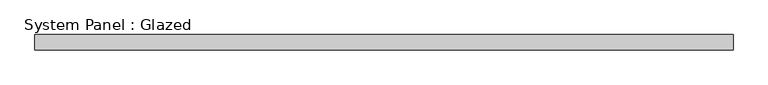
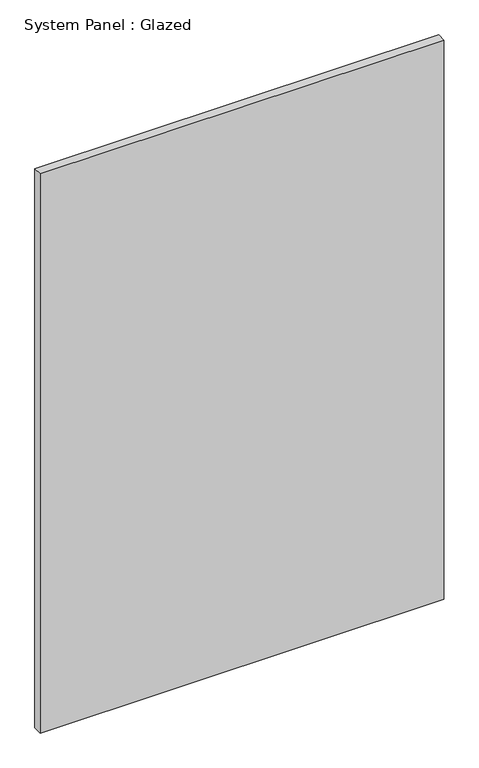
"""IFC4 building model written with IfcOpenShell, lengths in millimetres: plate geometry, System Panel : Glazed."""

from ifc_helpers import new_model, si_unit, origin, origin_with_axes, place, context, project, spatial, polyline, outline, extrude, source, transform, mapped, element, save


def system_panel_glazed_b1e11ff2(model_context):
    return source(origin(), model_context, "Body", "SweptSolid", [
        extrude(outline(polyline([(573.8563296, 19.05), (-573.8563296, 19.05), (-573.8563296, 44.45), (573.8563296, 44.45), (573.8563296, 19.05)])), origin_with_axes(), (0.0, 0.0, 1.0), 1680.4946968),
    ])


if __name__ == "__main__":
    model = new_model("IFC4")
    model_context = context("Model", 3, world=origin())
    ifc_project = project(units=[si_unit("LENGTHUNIT", "METRE", prefix="MILLI")], contexts=[model_context])
    site = spatial("IfcSite", under=ifc_project)
    building = spatial("IfcBuilding", under=site)
    placement = place(None, origin())
    system_panel_glazed_shape = system_panel_glazed_b1e11ff2(model_context)
    element("IfcPlate", 1, ObjectType="System Panel : Glazed", at=placement, inside=building, context=model_context, shape_type="MappedRepresentation", body=[
        mapped(system_panel_glazed_shape, transform((0.0, 0.0, 0.0), x_axis=(1.0, 0.0, 0.0), y_axis=(0.0, 1.0, 0.0), z_axis=(0.0, 0.0, 1.0))),
    ])
    save(model, "model.ifc")
